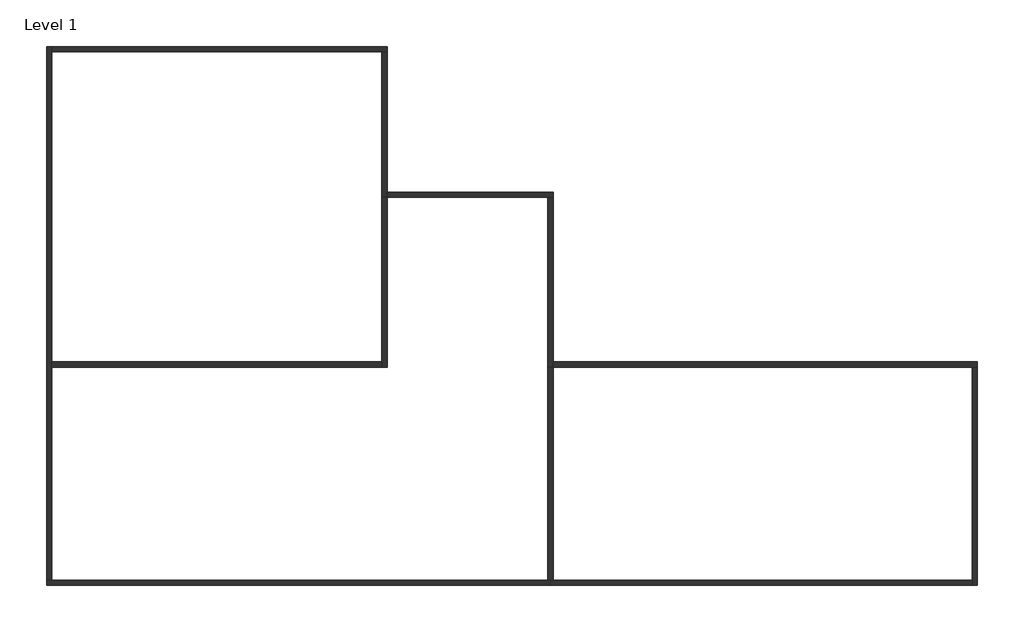
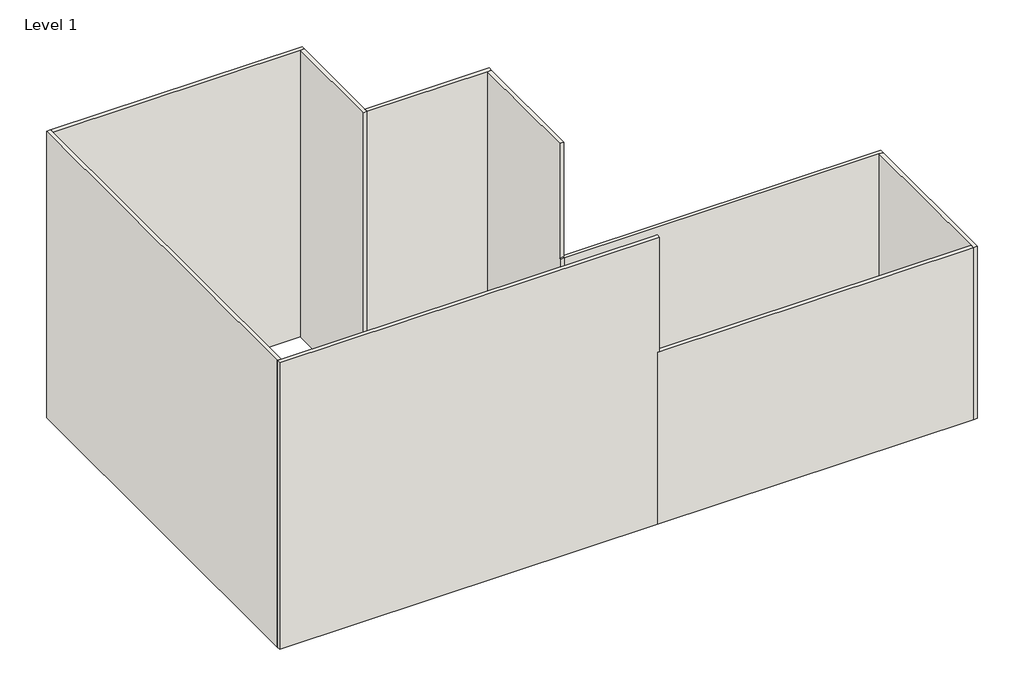
# One storey: 12 walls.
"""IFC4 building model written with IfcOpenShell, lengths in millimetres."""

from ifc_helpers import new_model, si_unit, origin, origin_with_axes, place, context, project, spatial, polyline, outline, extrude, faceted_brep, element, save

model = new_model("IFC4")

# Units and contexts
model_context = context("Model", 3, world=origin())
ifc_project = project(units=[si_unit("LENGTHUNIT", "METRE", prefix="MILLI")], contexts=[model_context])

# Site, building, storey
site = spatial("IfcSite", under=ifc_project)
building = spatial("IfcBuilding", under=site)
storey = spatial("IfcBuildingStorey", under=building, Name="Level 1", Elevation=0.0)

# Walls
placement = place(None, origin())
element("IfcWall", 1, ObjectType="Generic - 8\"", at=placement, inside=storey, context=model_context, shape_type="Brep", body=[
    faceted_brep([(-17409.8185541, -8655.8856386, 0.0), (-17409.8185541, -629.4856386, 0.0), (-17409.8185541, -426.2856386, 0.0), (-17409.8185541, 11257.7143614, 0.0), (-17409.8185541, 11460.9143614, 0.0), (-17409.8185541, 11460.9143614, 15240.0), (-17409.8185541, 11257.7143614, 15240.0), (-17409.8185541, -8655.8856386, 15240.0), (-17613.0185541, -8655.8856386, 0.0), (-17613.0185541, -8655.8856386, 15240.0), (-17613.0185541, 11460.9143614, 15240.0), (-17613.0185541, 11460.9143614, 0.0)], [[[0, 1, 2, 3, 4, 5, 6, 7]], [[8, 9, 10, 11]], [[4, 3, 2, 1, 0, 8, 11]], [[7, 6, 5, 10, 9]], [[5, 4, 11, 10]], [[0, 7, 9, 8]]]),
])
element("IfcWall", 2, ObjectType="Generic - 8\"", at=placement, inside=storey, context=model_context, shape_type="Brep", body=[
    faceted_brep([(-17409.8185541, 11257.7143614, 0.0), (-4963.8185541, 11257.7143614, 0.0), (-4760.6185541, 11257.7143614, 0.0), (-4760.6185541, 11257.7143614, 15240.0), (-4963.8185541, 11257.7143614, 15240.0), (-17409.8185541, 11257.7143614, 15240.0), (-17409.8185541, 11460.9143614, 0.0), (-17409.8185541, 11460.9143614, 15240.0), (-4760.6185541, 11460.9143614, 15240.0), (-4760.6185541, 11460.9143614, 0.0)], [[[0, 1, 2, 3, 4, 5]], [[6, 7, 8, 9]], [[2, 1, 0, 6, 9]], [[5, 4, 3, 8, 7]], [[0, 5, 7, 6]], [[3, 2, 9, 8]]]),
])
element("IfcWall", 3, ObjectType="Generic - 8\"", at=placement, inside=storey, context=model_context, shape_type="Brep", body=[
    faceted_brep([(-4963.8185541, 11257.7143614, 0.0), (-4963.8185541, 5771.3143614, 0.0), (-4963.8185541, 5771.3143614, 3048.0), (-4963.8185541, 5771.3143614, 6096.0), (-4963.8185541, 5771.3143614, 9144.0), (-4963.8185541, 5771.3143614, 15240.0), (-4963.8185541, 11257.7143614, 15240.0), (-4760.6185541, 11257.7143614, 0.0), (-4760.6185541, 11257.7143614, 15240.0), (-4760.6185541, 5974.5143614, 15240.0), (-4760.6185541, 5771.3143614, 15240.0), (-4760.6185541, 5771.3143614, 9144.0), (-4760.6185541, 5771.3143614, 6096.0), (-4760.6185541, 5771.3143614, 3048.0), (-4760.6185541, 5771.3143614, 0.0), (-4760.6185541, 5974.5143614, 0.0)], [[[0, 1, 2, 3, 4, 5, 6]], [[7, 8, 9, 10, 11, 12, 13, 14, 15]], [[1, 0, 7, 15, 14]], [[6, 5, 10, 9, 8]], [[0, 6, 8, 7]], [[1, 14, 13, 12, 11, 10, 5, 4, 3, 2]]]),
])
element("IfcWall", 4, ObjectType="Generic - 8\"", at=placement, inside=storey, context=model_context, shape_type="Brep", body=[
    faceted_brep([(-4760.6185541, 5771.3143614, 15240.0), (-4760.6185541, 5771.3143614, 0.0), (1284.5814459, 5771.3143614, 0.0), (1487.7814459, 5771.3143614, 0.0), (1487.7814459, 5771.3143614, 15240.0), (1284.5814459, 5771.3143614, 15240.0), (-4760.6185541, 5974.5143614, 0.0), (-4760.6185541, 5974.5143614, 15240.0), (1487.7814459, 5974.5143614, 15240.0), (1487.7814459, 5974.5143614, 0.0)], [[[0, 1, 2, 3, 4, 5]], [[6, 7, 8, 9]], [[3, 2, 1, 6, 9]], [[0, 5, 4, 8, 7]], [[4, 3, 9, 8]], [[0, 7, 6, 1]]]),
])
element("IfcWall", 5, ObjectType="Generic - 8\"", at=placement, inside=storey, context=model_context, shape_type="Brep", body=[
    faceted_brep([(1284.5814459, 5771.3143614, 0.0), (1284.5814459, -629.4856386, 0.0), (1284.5814459, -629.4856386, 3048.0), (1284.5814459, -629.4856386, 6096.0), (1284.5814459, -629.4856386, 9144.0), (1284.5814459, -527.8856386, 9144.0), (1284.5814459, -527.8856386, 15240.0), (1284.5814459, 5771.3143614, 15240.0), (1487.7814459, 5771.3143614, 0.0), (1487.7814459, 5771.3143614, 15240.0), (1487.7814459, -527.8856386, 15240.0), (1487.7814459, -527.8856386, 9144.0), (1487.7814459, -629.4856386, 9144.0), (1487.7814459, -629.4856386, 6096.0), (1487.7814459, -629.4856386, 3048.0), (1487.7814459, -629.4856386, 0.0), (1487.7814459, -426.2856386, 0.0)], [[[0, 1, 2, 3, 4, 5, 6, 7]], [[8, 9, 10, 11, 12, 13, 14, 15, 16]], [[1, 0, 8, 16, 15]], [[7, 6, 10, 9]], [[0, 7, 9, 8]], [[6, 5, 11, 10]], [[11, 5, 4, 12]], [[1, 15, 14, 13, 12, 4, 3, 2]]]),
])
element("IfcWall", 6, ObjectType="Generic - 8\"", at=placement, inside=storey, context=model_context, shape_type="Brep", body=[
    faceted_brep([(1487.7814459, -629.4856386, 9144.0), (1487.7814459, -629.4856386, 0.0), (17286.5814459, -629.4856386, 0.0), (17489.7814459, -629.4856386, 0.0), (17489.7814459, -629.4856386, 9144.0), (17286.5814459, -629.4856386, 9144.0), (1487.7814459, -426.2856386, 0.0), (1487.7814459, -426.2856386, 9144.0), (17489.7814459, -426.2856386, 9144.0), (17489.7814459, -426.2856386, 0.0), (1487.7814459, -527.8856386, 9144.0)], [[[0, 1, 2, 3, 4, 5]], [[6, 7, 8, 9]], [[3, 2, 1, 6, 9]], [[0, 5, 4, 8, 7, 10]], [[4, 3, 9, 8]], [[0, 10, 7, 6, 1]]]),
])
element("IfcWall", 7, ObjectType="Generic - 8\"", at=placement, inside=storey, context=model_context, shape_type="Brep", body=[
    faceted_brep([(17286.5814459, -629.4856386, 0.0), (17286.5814459, -8655.8856386, 0.0), (17286.5814459, -8859.0856386, 0.0), (17286.5814459, -8859.0856386, 9144.0), (17286.5814459, -8655.8856386, 9144.0), (17286.5814459, -629.4856386, 9144.0), (17489.7814459, -629.4856386, 0.0), (17489.7814459, -629.4856386, 9144.0), (17489.7814459, -8859.0856386, 9144.0), (17489.7814459, -8859.0856386, 0.0)], [[[0, 1, 2, 3, 4, 5]], [[6, 7, 8, 9]], [[2, 1, 0, 6, 9]], [[5, 4, 3, 8, 7]], [[0, 5, 7, 6]], [[3, 2, 9, 8]]]),
])
element("IfcWall", 8, ObjectType="Generic - 8\"", at=placement, inside=storey, context=model_context, shape_type="Brep", body=[
    faceted_brep([(17286.5814459, -8655.8856386, 0.0), (1487.7814459, -8655.8856386, 0.0), (1386.1814459, -8655.8856386, 0.0), (1386.1814459, -8655.8856386, 9144.0), (1487.7814459, -8655.8856386, 9144.0), (17286.5814459, -8655.8856386, 9144.0), (17286.5814459, -8859.0856386, 0.0), (17286.5814459, -8859.0856386, 9144.0), (1487.7814459, -8859.0856386, 9144.0), (1386.1814459, -8859.0856386, 9144.0), (1386.1814459, -8859.0856386, 0.0)], [[[0, 1, 2, 3, 4, 5]], [[6, 7, 8, 9, 10]], [[2, 1, 0, 6, 10]], [[5, 4, 3, 9, 8, 7]], [[0, 5, 7, 6]], [[2, 10, 9, 3]]]),
])
element("IfcWall", 9, ObjectType="Generic - 8\"", at=placement, inside=storey, context=model_context, shape_type="Brep", body=[
    faceted_brep([(-4963.8185541, 5771.3143614, 0.0), (-4963.8185541, -426.2856386, 0.0), (-4963.8185541, -629.4856386, 0.0), (-4963.8185541, -629.4856386, 3048.0), (-4963.8185541, -426.2856386, 3048.0), (-4963.8185541, 5771.3143614, 3048.0), (-4760.6185541, 5771.3143614, 0.0), (-4760.6185541, 5771.3143614, 3048.0), (-4760.6185541, -629.4856386, 3048.0), (-4760.6185541, -629.4856386, 0.0)], [[[0, 1, 2, 3, 4, 5]], [[6, 7, 8, 9]], [[2, 1, 0, 6, 9]], [[5, 4, 3, 8, 7]], [[0, 5, 7, 6]], [[3, 2, 9, 8]]]),
])
element("IfcWall", 10, ObjectType="Generic - 8\"", at=placement, inside=storey, context=model_context, shape_type="SweptSolid", body=[
    extrude(outline(polyline([(-17409.8185541, -426.2856386), (-4963.8185541, -426.2856386), (-4963.8185541, -629.4856386), (-17409.8185541, -629.4856386), (-17409.8185541, -426.2856386)])), origin_with_axes(), (0.0, 0.0, 1.0), 3048.0),
])
element("IfcWall", 11, ObjectType="Generic - 8\"", at=placement, inside=storey, context=model_context, shape_type="Brep", body=[
    faceted_brep([(1284.5814459, -629.4856386, 0.0), (1284.5814459, -8655.8856386, 0.0), (1284.5814459, -8655.8856386, 3048.0), (1284.5814459, -629.4856386, 3048.0), (1487.7814459, -629.4856386, 0.0), (1487.7814459, -629.4856386, 3048.0), (1487.7814459, -8655.8856386, 3048.0), (1487.7814459, -8655.8856386, 0.0), (1386.1814459, -8655.8856386, 0.0)], [[[0, 1, 2, 3]], [[4, 5, 6, 7]], [[1, 0, 4, 7, 8]], [[3, 2, 6, 5]], [[0, 3, 5, 4]], [[2, 1, 8, 7, 6]]]),
])
element("IfcWall", 12, ObjectType="Generic - 8\"", at=placement, inside=storey, context=model_context, shape_type="Brep", body=[
    faceted_brep([(1386.1814459, -8655.8856386, 9144.0), (1386.1814459, -8655.8856386, 0.0), (1284.5814459, -8655.8856386, 0.0), (-17409.8185541, -8655.8856386, 0.0), (-17613.0185541, -8655.8856386, 0.0), (-17613.0185541, -8655.8856386, 15240.0), (-17409.8185541, -8655.8856386, 15240.0), (1284.5814459, -8655.8856386, 15240.0), (1487.7814459, -8655.8856386, 15240.0), (1487.7814459, -8655.8856386, 9144.0), (1386.1814459, -8859.0856386, 0.0), (1386.1814459, -8859.0856386, 9144.0), (1487.7814459, -8859.0856386, 9144.0), (1487.7814459, -8859.0856386, 15240.0), (-17613.0185541, -8859.0856386, 15240.0), (-17613.0185541, -8859.0856386, 0.0)], [[[0, 1, 2, 3, 4, 5, 6, 7, 8, 9]], [[10, 11, 12, 13, 14, 15]], [[4, 3, 2, 1, 10, 15]], [[8, 7, 6, 5, 14, 13]], [[5, 4, 15, 14]], [[0, 11, 10, 1]], [[9, 12, 11, 0]], [[9, 8, 13, 12]]]),
])

save(model, "model.ifc")
